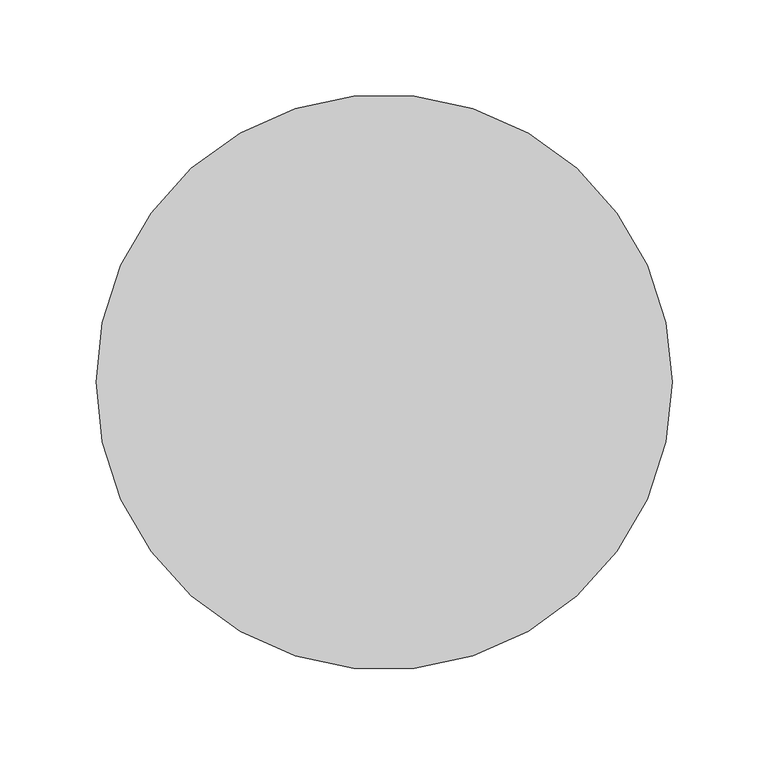
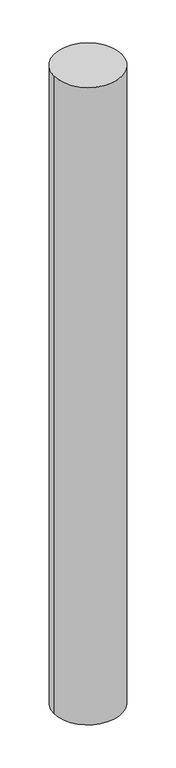
"""IFC4 building model written with IfcOpenShell, lengths in millimetres: column geometry."""

import ifcopenshell
import ifcopenshell.guid

model = None  # the IFC model being written
_history = None  # IfcOwnerHistory: only IFC2X3 demands one
_inside = {}  # id of a spatial element -> (the spatial element, [elements in it])
_under = {}  # id of a project, library or spatial element -> (it, [spatial elements below it])
_declared = {}  # id of a project -> (the project, [libraries it declares])
_typed = {}  # id of a type object -> (the type object, [elements of that type])
_made_of = {}  # id of a material, layer set ... -> (it, [elements and type objects made of it])


def new_model(schema):
    """Start an empty IFC model of exactly this schema.

    Asked for "IFC4X3", IfcOpenShell would pick the latest addendum, in which some entities
    have other attributes; the version numbers below select the first issue.
    IFC2X3 requires an IfcOwnerHistory on every rooted entity: one is made here for all.
    """
    global model, _history
    if schema == "IFC4X3":
        model = ifcopenshell.file(schema_version=(4, 3, 0, 0))
    else:
        model = ifcopenshell.file(schema=schema)
    _inside.clear()
    _under.clear()
    _declared.clear()
    _typed.clear()
    _made_of.clear()
    _history = None
    if model.schema == "IFC2X3":
        org = make("IfcOrganization", Name="unknown")
        user = make(
            "IfcPersonAndOrganization",
            ThePerson=make("IfcPerson", FamilyName="unknown"),
            TheOrganization=org,
        )
        app = make(
            "IfcApplication",
            ApplicationDeveloper=org,
            Version="unknown",
            ApplicationFullName="unknown",
            ApplicationIdentifier="unknown",
        )
        _history = make(
            "IfcOwnerHistory",
            OwningUser=user,
            OwningApplication=app,
            ChangeAction="ADDED",
            CreationDate=0,
        )
    return model


def make(cls, **values):
    """One entity of the class cls with the attributes given. An attribute that is None is left unset."""
    return model.create_entity(
        cls, **{name: value for name, value in values.items() if value is not None}
    )


def rooted(cls, **values):
    """An entity with a GlobalId (a new one), such as an element, a storey or a relation."""
    return make(cls, GlobalId=ifcopenshell.guid.new(), OwnerHistory=_history, **values)


def si_unit(unit_type, name, prefix=None):
    """IfcSIUnit, for example si_unit("LENGTHUNIT", "METRE", prefix="MILLI")."""
    return make("IfcSIUnit", UnitType=unit_type, Prefix=prefix, Name=name)


def assignment(units):
    """IfcUnitAssignment: the units of a project."""
    return None if units is None else make("IfcUnitAssignment", Units=units)


def point(xyz):
    """IfcCartesianPoint."""
    return None if xyz is None else make("IfcCartesianPoint", Coordinates=xyz)


def direction(xyz):
    """IfcDirection."""
    return None if xyz is None else make("IfcDirection", DirectionRatios=xyz)


def frame(location, z_axis=None, x_axis=None):
    """IfcAxis2Placement3D, a coordinate frame: its origin and axes. An axis left out is left unset."""
    return make(
        "IfcAxis2Placement3D",
        Location=point(location),
        Axis=direction(z_axis),
        RefDirection=direction(x_axis),
    )


def frame_2d(location, x_axis=None):
    """IfcAxis2Placement2D, a coordinate frame in the plane: its origin and x axis."""
    return make(
        "IfcAxis2Placement2D", Location=point(location), RefDirection=direction(x_axis)
    )


def origin():
    """The frame at (0, 0, 0) with its axes left unset."""
    return frame((0.0, 0.0, 0.0))


def origin_with_axes():
    """The frame at (0, 0, 0) with the z axis (0, 0, 1) and the x axis (1, 0, 0) written out."""
    return frame((0.0, 0.0, 0.0), z_axis=(0.0, 0.0, 1.0), x_axis=(1.0, 0.0, 0.0))


def origin_2d():
    """The frame at (0, 0) in the plane with its x axis left unset."""
    return frame_2d((0.0, 0.0))


def place(relative_to, where):
    """IfcLocalPlacement: puts the frame where relative to a parent placement (None: the world)."""
    return make(
        "IfcLocalPlacement", PlacementRelTo=relative_to, RelativePlacement=where
    )


def context(
    kind, dimensions, precision=None, world=None, true_north=None, identifier=None
):
    """IfcGeometricRepresentationContext, for example the 3D "Model" context."""
    return make(
        "IfcGeometricRepresentationContext",
        ContextIdentifier=identifier,
        ContextType=kind,
        CoordinateSpaceDimension=dimensions,
        Precision=precision,
        WorldCoordinateSystem=world,
        TrueNorth=true_north,
    )


def project(units=None, contexts=None):
    """IfcProject with its units and contexts."""
    return rooted(
        "IfcProject",
        Name="project",
        RepresentationContexts=contexts,
        UnitsInContext=assignment(units),
    )


def spatial(cls, under=None, at=None, **own):
    """A site, building, storey or space (cls), placed at a placement, below another one or the project."""
    s = rooted(cls, ObjectPlacement=at, **own)
    if under is not None:
        _under.setdefault(under.id(), (under, []))[1].append(s)
    return s


def circle_curve(where, radius):
    """IfcCircle in the frame where."""
    return make("IfcCircle", Position=where, Radius=radius)


def trimmed(basis, trim1, trim2, sense, master):
    """IfcTrimmedCurve: the piece of a basis curve between two trims."""
    return make(
        "IfcTrimmedCurve",
        BasisCurve=basis,
        Trim1=trim1,
        Trim2=trim2,
        SenseAgreement=sense,
        MasterRepresentation=master,
    )


def segment(curve, same_sense, transition):
    """IfcCompositeCurveSegment."""
    return make(
        "IfcCompositeCurveSegment",
        Transition=transition,
        SameSense=same_sense,
        ParentCurve=curve,
    )


def composite_curve(segments, self_intersect=None):
    """IfcCompositeCurve: segments joined end to end."""
    return make("IfcCompositeCurve", Segments=segments, SelfIntersect=self_intersect)


def outline(outer, holes=None, kind="AREA"):
    """IfcArbitraryClosedProfileDef: a profile drawn as a closed curve; with holes, ...WithVoids."""
    if holes is None:
        return make("IfcArbitraryClosedProfileDef", ProfileType=kind, OuterCurve=outer)
    return make(
        "IfcArbitraryProfileDefWithVoids",
        ProfileType=kind,
        OuterCurve=outer,
        InnerCurves=holes,
    )


def extrude(swept, where, along, depth):
    """IfcExtrudedAreaSolid: the profile swept, set in the frame where, extruded along a direction by depth."""
    return make(
        "IfcExtrudedAreaSolid",
        SweptArea=swept,
        Position=where,
        ExtrudedDirection=direction(along),
        Depth=depth,
    )


def shape(context_of_items, identifier, shape_type, items):
    """IfcShapeRepresentation: the items that make up one representation, for example the "Body"."""
    return make(
        "IfcShapeRepresentation",
        ContextOfItems=context_of_items,
        RepresentationIdentifier=identifier,
        RepresentationType=shape_type,
        Items=items,
    )


def source(mapping_origin, context_of_items, identifier, shape_type, items):
    """IfcRepresentationMap: a shape defined once, which mapped items show again and again."""
    return make(
        "IfcRepresentationMap",
        MappingOrigin=mapping_origin,
        MappedRepresentation=shape(context_of_items, identifier, shape_type, items),
    )


def transform(
    local_origin,
    x_axis=None,
    y_axis=None,
    z_axis=None,
    scale=None,
    scale2=None,
    scale3=None,
    uniform=True,
):
    """IfcCartesianTransformationOperator3D, or its non-uniform kind. x_axis, y_axis, z_axis: its Axis1, 2, 3."""
    if uniform:
        return make(
            "IfcCartesianTransformationOperator3D",
            Axis1=direction(x_axis),
            Axis2=direction(y_axis),
            LocalOrigin=point(local_origin),
            Scale=scale,
            Axis3=direction(z_axis),
        )
    return make(
        "IfcCartesianTransformationOperator3DnonUniform",
        Axis1=direction(x_axis),
        Axis2=direction(y_axis),
        LocalOrigin=point(local_origin),
        Scale=scale,
        Axis3=direction(z_axis),
        Scale2=scale2,
        Scale3=scale3,
    )


def mapped(mapping_source, mapping_target):
    """IfcMappedItem: shows the shape of a source again, moved by a transform."""
    return make(
        "IfcMappedItem", MappingSource=mapping_source, MappingTarget=mapping_target
    )


def made_of(thing, what):
    """Note that an element or type object is made of a material, layer set ...; save() writes the relation."""
    if what is not None:
        _made_of.setdefault(what.id(), (what, []))[1].append(thing)
    return thing


def element(
    cls,
    number,
    at=None,
    inside=None,
    cuts=None,
    type_object=None,
    material=None,
    context=None,
    identifier="Body",
    shape_type=None,
    held_by="IfcProductDefinitionShape",
    body=None,
    shapes=None,
    **own,
):
    """One element of the class cls, such as IfcWall. Its Tag is "e" and its number.

    at: its placement. inside: the storey or other place that contains it. cuts: it is an
    opening in that element (IfcRelVoidsElement). A single representation is given by context,
    identifier, shape_type and body (its items); several are given by shapes. held_by: the class
    of the entity that holds the representations. save() writes the other relations.
    """
    e = rooted(cls, Tag="e%d" % number, ObjectPlacement=at, **own)
    if body is not None:
        shapes = [shape(context, identifier, shape_type, body)]
    if shapes is not None:
        e.Representation = make(held_by, Representations=shapes)
    if inside is not None:
        _inside.setdefault(inside.id(), (inside, []))[1].append(e)
    if cuts is not None:
        rooted(
            "IfcRelVoidsElement", RelatingBuildingElement=cuts, RelatedOpeningElement=e
        )
    if type_object is not None:
        _typed.setdefault(type_object.id(), (type_object, []))[1].append(e)
    return made_of(e, material)


def aggregate(whole, parts):
    """IfcRelAggregates: a whole, such as a stair, and the parts it consists of."""
    return rooted("IfcRelAggregates", RelatingObject=whole, RelatedObjects=parts)


def save(model, path):
    """Write the relations noted so far, then the file.

    IfcRelAggregates (storeys below a building ...), IfcRelContainedInSpatialStructure (elements
    in a storey), IfcRelDefinesByType, IfcRelAssociatesMaterial and IfcRelDeclares: one each for
    every whole, place, type object, material and project.
    """
    for whole, parts in _under.values():
        aggregate(whole, parts)
    for where, things in _inside.values():
        rooted(
            "IfcRelContainedInSpatialStructure",
            RelatedElements=things,
            RelatingStructure=where,
        )
    for kind, things in _typed.values():
        rooted("IfcRelDefinesByType", RelatedObjects=things, RelatingType=kind)
    for what, things in _made_of.values():
        rooted("IfcRelAssociatesMaterial", RelatedObjects=things, RelatingMaterial=what)
    for by, libraries in _declared.values():
        rooted("IfcRelDeclares", RelatingContext=by, RelatedDefinitions=libraries)
    model.write(path)


def column_04b4cf59(model_context):
    return source(origin(), model_context, "Body", "SweptSolid", [
        extrude(outline(composite_curve([segment(trimmed(circle_curve(origin_2d(), 150.0), [point((-150.0, 0.0))], [point((150.0, 0.0))], False, "CARTESIAN"), True, "CONTINUOUS"), segment(trimmed(circle_curve(origin_2d(), 150.0), [point((150.0, 0.0))], [point((-150.0, 0.0))], False, "CARTESIAN"), True, "CONTINUOUS")], self_intersect=False)), origin_with_axes(), (0.0, 0.0, 1.0), 3000.0),
    ])


if __name__ == "__main__":
    model = new_model("IFC4")
    model_context = context("Model", 3, world=origin())
    ifc_project = project(units=[si_unit("LENGTHUNIT", "METRE", prefix="MILLI")], contexts=[model_context])
    site = spatial("IfcSite", under=ifc_project)
    building = spatial("IfcBuilding", under=site)
    placement = place(None, origin())
    column_shape = column_04b4cf59(model_context)
    element("IfcColumn", 1, at=placement, inside=building, context=model_context, shape_type="MappedRepresentation", body=[
        mapped(column_shape, transform((0.0, 0.0, 0.0), x_axis=(1.0, 0.0, 0.0), y_axis=(0.0, 1.0, 0.0), z_axis=(0.0, 0.0, 1.0))),
    ])
    save(model, "model.ifc")
